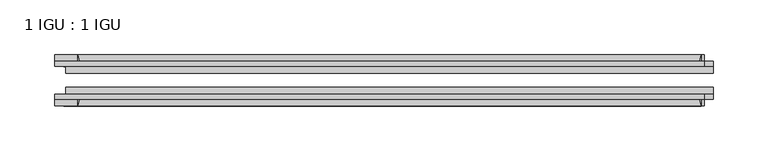
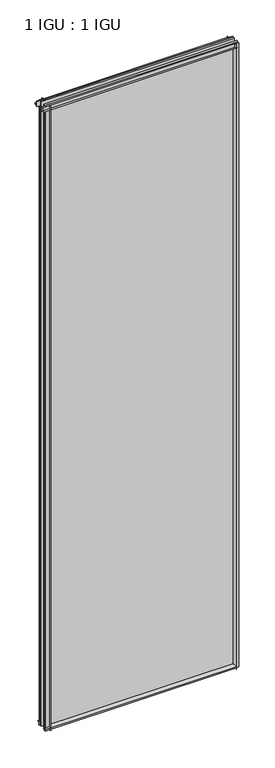
"""IFC4 building model written with IfcOpenShell, lengths in millimetres: plate geometry, 1 IGU : 1 IGU."""

import ifcopenshell
import ifcopenshell.guid

model = None  # the IFC model being written
_history = None  # IfcOwnerHistory: only IFC2X3 demands one
_inside = {}  # id of a spatial element -> (the spatial element, [elements in it])
_under = {}  # id of a project, library or spatial element -> (it, [spatial elements below it])
_declared = {}  # id of a project -> (the project, [libraries it declares])
_typed = {}  # id of a type object -> (the type object, [elements of that type])
_made_of = {}  # id of a material, layer set ... -> (it, [elements and type objects made of it])


def new_model(schema):
    """Start an empty IFC model of exactly this schema.

    Asked for "IFC4X3", IfcOpenShell would pick the latest addendum, in which some entities
    have other attributes; the version numbers below select the first issue.
    IFC2X3 requires an IfcOwnerHistory on every rooted entity: one is made here for all.
    """
    global model, _history
    if schema == "IFC4X3":
        model = ifcopenshell.file(schema_version=(4, 3, 0, 0))
    else:
        model = ifcopenshell.file(schema=schema)
    _inside.clear()
    _under.clear()
    _declared.clear()
    _typed.clear()
    _made_of.clear()
    _history = None
    if model.schema == "IFC2X3":
        org = make("IfcOrganization", Name="unknown")
        user = make(
            "IfcPersonAndOrganization",
            ThePerson=make("IfcPerson", FamilyName="unknown"),
            TheOrganization=org,
        )
        app = make(
            "IfcApplication",
            ApplicationDeveloper=org,
            Version="unknown",
            ApplicationFullName="unknown",
            ApplicationIdentifier="unknown",
        )
        _history = make(
            "IfcOwnerHistory",
            OwningUser=user,
            OwningApplication=app,
            ChangeAction="ADDED",
            CreationDate=0,
        )
    return model


def make(cls, **values):
    """One entity of the class cls with the attributes given. An attribute that is None is left unset."""
    return model.create_entity(
        cls, **{name: value for name, value in values.items() if value is not None}
    )


def rooted(cls, **values):
    """An entity with a GlobalId (a new one), such as an element, a storey or a relation."""
    return make(cls, GlobalId=ifcopenshell.guid.new(), OwnerHistory=_history, **values)


def si_unit(unit_type, name, prefix=None):
    """IfcSIUnit, for example si_unit("LENGTHUNIT", "METRE", prefix="MILLI")."""
    return make("IfcSIUnit", UnitType=unit_type, Prefix=prefix, Name=name)


def assignment(units):
    """IfcUnitAssignment: the units of a project."""
    return None if units is None else make("IfcUnitAssignment", Units=units)


def point(xyz):
    """IfcCartesianPoint."""
    return None if xyz is None else make("IfcCartesianPoint", Coordinates=xyz)


def direction(xyz):
    """IfcDirection."""
    return None if xyz is None else make("IfcDirection", DirectionRatios=xyz)


def frame(location, z_axis=None, x_axis=None):
    """IfcAxis2Placement3D, a coordinate frame: its origin and axes. An axis left out is left unset."""
    return make(
        "IfcAxis2Placement3D",
        Location=point(location),
        Axis=direction(z_axis),
        RefDirection=direction(x_axis),
    )


def frame_2d(location, x_axis=None):
    """IfcAxis2Placement2D, a coordinate frame in the plane: its origin and x axis."""
    return make(
        "IfcAxis2Placement2D", Location=point(location), RefDirection=direction(x_axis)
    )


def origin():
    """The frame at (0, 0, 0) with its axes left unset."""
    return frame((0.0, 0.0, 0.0))


def place(relative_to, where):
    """IfcLocalPlacement: puts the frame where relative to a parent placement (None: the world)."""
    return make(
        "IfcLocalPlacement", PlacementRelTo=relative_to, RelativePlacement=where
    )


def context(
    kind, dimensions, precision=None, world=None, true_north=None, identifier=None
):
    """IfcGeometricRepresentationContext, for example the 3D "Model" context."""
    return make(
        "IfcGeometricRepresentationContext",
        ContextIdentifier=identifier,
        ContextType=kind,
        CoordinateSpaceDimension=dimensions,
        Precision=precision,
        WorldCoordinateSystem=world,
        TrueNorth=true_north,
    )


def project(units=None, contexts=None):
    """IfcProject with its units and contexts."""
    return rooted(
        "IfcProject",
        Name="project",
        RepresentationContexts=contexts,
        UnitsInContext=assignment(units),
    )


def spatial(cls, under=None, at=None, **own):
    """A site, building, storey or space (cls), placed at a placement, below another one or the project."""
    s = rooted(cls, ObjectPlacement=at, **own)
    if under is not None:
        _under.setdefault(under.id(), (under, []))[1].append(s)
    return s


def polyline(points):
    """IfcPolyline through the points."""
    return make("IfcPolyline", Points=[point(p) for p in points])


def circle_curve(where, radius):
    """IfcCircle in the frame where."""
    return make("IfcCircle", Position=where, Radius=radius)


def trimmed(basis, trim1, trim2, sense, master):
    """IfcTrimmedCurve: the piece of a basis curve between two trims."""
    return make(
        "IfcTrimmedCurve",
        BasisCurve=basis,
        Trim1=trim1,
        Trim2=trim2,
        SenseAgreement=sense,
        MasterRepresentation=master,
    )


def segment(curve, same_sense, transition):
    """IfcCompositeCurveSegment."""
    return make(
        "IfcCompositeCurveSegment",
        Transition=transition,
        SameSense=same_sense,
        ParentCurve=curve,
    )


def composite_curve(segments, self_intersect=None):
    """IfcCompositeCurve: segments joined end to end."""
    return make("IfcCompositeCurve", Segments=segments, SelfIntersect=self_intersect)


def outline(outer, holes=None, kind="AREA"):
    """IfcArbitraryClosedProfileDef: a profile drawn as a closed curve; with holes, ...WithVoids."""
    if holes is None:
        return make("IfcArbitraryClosedProfileDef", ProfileType=kind, OuterCurve=outer)
    return make(
        "IfcArbitraryProfileDefWithVoids",
        ProfileType=kind,
        OuterCurve=outer,
        InnerCurves=holes,
    )


def extrude(swept, where, along, depth):
    """IfcExtrudedAreaSolid: the profile swept, set in the frame where, extruded along a direction by depth."""
    return make(
        "IfcExtrudedAreaSolid",
        SweptArea=swept,
        Position=where,
        ExtrudedDirection=direction(along),
        Depth=depth,
    )


def shape(context_of_items, identifier, shape_type, items):
    """IfcShapeRepresentation: the items that make up one representation, for example the "Body"."""
    return make(
        "IfcShapeRepresentation",
        ContextOfItems=context_of_items,
        RepresentationIdentifier=identifier,
        RepresentationType=shape_type,
        Items=items,
    )


def source(mapping_origin, context_of_items, identifier, shape_type, items):
    """IfcRepresentationMap: a shape defined once, which mapped items show again and again."""
    return make(
        "IfcRepresentationMap",
        MappingOrigin=mapping_origin,
        MappedRepresentation=shape(context_of_items, identifier, shape_type, items),
    )


def transform(
    local_origin,
    x_axis=None,
    y_axis=None,
    z_axis=None,
    scale=None,
    scale2=None,
    scale3=None,
    uniform=True,
):
    """IfcCartesianTransformationOperator3D, or its non-uniform kind. x_axis, y_axis, z_axis: its Axis1, 2, 3."""
    if uniform:
        return make(
            "IfcCartesianTransformationOperator3D",
            Axis1=direction(x_axis),
            Axis2=direction(y_axis),
            LocalOrigin=point(local_origin),
            Scale=scale,
            Axis3=direction(z_axis),
        )
    return make(
        "IfcCartesianTransformationOperator3DnonUniform",
        Axis1=direction(x_axis),
        Axis2=direction(y_axis),
        LocalOrigin=point(local_origin),
        Scale=scale,
        Axis3=direction(z_axis),
        Scale2=scale2,
        Scale3=scale3,
    )


def mapped(mapping_source, mapping_target):
    """IfcMappedItem: shows the shape of a source again, moved by a transform."""
    return make(
        "IfcMappedItem", MappingSource=mapping_source, MappingTarget=mapping_target
    )


def made_of(thing, what):
    """Note that an element or type object is made of a material, layer set ...; save() writes the relation."""
    if what is not None:
        _made_of.setdefault(what.id(), (what, []))[1].append(thing)
    return thing


def element(
    cls,
    number,
    at=None,
    inside=None,
    cuts=None,
    type_object=None,
    material=None,
    context=None,
    identifier="Body",
    shape_type=None,
    held_by="IfcProductDefinitionShape",
    body=None,
    shapes=None,
    **own,
):
    """One element of the class cls, such as IfcWall. Its Tag is "e" and its number.

    at: its placement. inside: the storey or other place that contains it. cuts: it is an
    opening in that element (IfcRelVoidsElement). A single representation is given by context,
    identifier, shape_type and body (its items); several are given by shapes. held_by: the class
    of the entity that holds the representations. save() writes the other relations.
    """
    e = rooted(cls, Tag="e%d" % number, ObjectPlacement=at, **own)
    if body is not None:
        shapes = [shape(context, identifier, shape_type, body)]
    if shapes is not None:
        e.Representation = make(held_by, Representations=shapes)
    if inside is not None:
        _inside.setdefault(inside.id(), (inside, []))[1].append(e)
    if cuts is not None:
        rooted(
            "IfcRelVoidsElement", RelatingBuildingElement=cuts, RelatedOpeningElement=e
        )
    if type_object is not None:
        _typed.setdefault(type_object.id(), (type_object, []))[1].append(e)
    return made_of(e, material)


def aggregate(whole, parts):
    """IfcRelAggregates: a whole, such as a stair, and the parts it consists of."""
    return rooted("IfcRelAggregates", RelatingObject=whole, RelatedObjects=parts)


def save(model, path):
    """Write the relations noted so far, then the file.

    IfcRelAggregates (storeys below a building ...), IfcRelContainedInSpatialStructure (elements
    in a storey), IfcRelDefinesByType, IfcRelAssociatesMaterial and IfcRelDeclares: one each for
    every whole, place, type object, material and project.
    """
    for whole, parts in _under.values():
        aggregate(whole, parts)
    for where, things in _inside.values():
        rooted(
            "IfcRelContainedInSpatialStructure",
            RelatedElements=things,
            RelatingStructure=where,
        )
    for kind, things in _typed.values():
        rooted("IfcRelDefinesByType", RelatedObjects=things, RelatingType=kind)
    for what, things in _made_of.values():
        rooted("IfcRelAssociatesMaterial", RelatedObjects=things, RelatingMaterial=what)
    for by, libraries in _declared.values():
        rooted("IfcRelDeclares", RelatingContext=by, RelatedDefinitions=libraries)
    model.write(path)


def plate_1_igu_1_igu_cf0832b4(model_context):
    return source(origin(), model_context, "Body", "SweptSolid", [
        extrude(outline(composite_curve([segment(polyline([(-74.6252, -8.73125), (-74.6252, -0.0097454), (-80.6504332, -0.0097454)]), True, "CONTINUOUS"), segment(trimmed(circle_curve(frame_2d((-86.2258203, 32.2797688)), 32.7673262), [point((-80.6504332, -0.0097454))], [point((-69.85, 3.8979053))], True, "CARTESIAN"), True, "CONTINUOUS"), segment(polyline([(-69.85, 3.8979053), (-69.85, -8.73125), (-74.6252, -8.73125)]), True, "CONTINUOUS")], self_intersect=False)), frame((-292.1134938, 0.0, 0.0), z_axis=(1.0, 0.0, 0.0), x_axis=(0.0, 1.0, 0.0)), (0.0, 0.0, 1.0), 584.2269875),
        extrude(outline(composite_curve([segment(polyline([(-39.6748, -8.73125), (-44.45, -8.73125), (-44.45, 3.8979053)]), True, "CONTINUOUS"), segment(trimmed(circle_curve(frame_2d((-28.0741797, 32.2797688)), 32.7673262), [point((-44.45, 3.8979053))], [point((-33.6495668, -0.0097454))], True, "CARTESIAN"), True, "CONTINUOUS"), segment(polyline([(-33.6495668, -0.0097454), (-39.6748, -0.0097454), (-39.6748, -8.73125)]), True, "CONTINUOUS")], self_intersect=False)), frame((-292.1134938, 0.0, 0.0), z_axis=(1.0, 0.0, 0.0), x_axis=(0.0, 1.0, 0.0)), (0.0, 0.0, 1.0), 584.2269875),
        extrude(outline(composite_curve([segment(polyline([(-80.5942, 2012.1562438), (-74.6252, 2012.1562438), (-74.6252, 2023.2687438), (-69.85, 2023.2687438), (-69.85, 2008.2583533)]), True, "CONTINUOUS"), segment(trimmed(circle_curve(frame_2d((-86.2258203, 1979.8764898)), 32.7673262), [point((-69.85, 2008.2583533))], [point((-80.5942, 2012.1562438))], True, "CARTESIAN"), True, "CONTINUOUS")], self_intersect=False)), frame((-300.6262324, 0.0, 0.0), z_axis=(1.0, 0.0, 0.0), x_axis=(0.0, 1.0, 0.0)), (0.0, 0.0, 1.0), 595.2856876),
        extrude(outline(composite_curve([segment(polyline([(-39.6748, 2023.2687438), (-39.6748, 2012.1562438), (-33.7058, 2012.1562438)]), True, "CONTINUOUS"), segment(trimmed(circle_curve(frame_2d((-28.0741797, 1979.8764898)), 32.7673262), [point((-33.7058, 2012.1562438))], [point((-44.45, 2008.2583533))], True, "CARTESIAN"), True, "CONTINUOUS"), segment(polyline([(-44.45, 2008.2583533), (-44.45, 2023.2687438), (-39.6748, 2023.2687438)]), True, "CONTINUOUS")], self_intersect=False)), frame((-300.6262324, 0.0, 0.0), z_axis=(1.0, 0.0, 0.0), x_axis=(0.0, 1.0, 0.0)), (0.0, 0.0, 1.0), 595.2856876),
        extrude(outline(composite_curve([segment(polyline([(303.2259938, -39.6748), (303.2259938, -44.45), (288.2156032, -44.45)]), True, "CONTINUOUS"), segment(trimmed(circle_curve(frame_2d((259.8337398, -28.0741797)), 32.7673262), [point((288.2156032, -44.45))], [point((292.1134938, -33.7058))], True, "CARTESIAN"), True, "CONTINUOUS"), segment(polyline([(292.1134938, -33.7058), (292.1134938, -39.6748), (303.2259938, -39.6748)]), True, "CONTINUOUS")], self_intersect=False)), frame((0.0, 0.0, -8.73125), z_axis=(0.0, 0.0, 1.0), x_axis=(1.0, 0.0, 0.0)), (0.0, 0.0, 1.0), 2031.9999938),
        extrude(outline(composite_curve([segment(polyline([(303.2259938, -69.85), (303.2259938, -74.6252), (292.1134938, -74.6252), (292.1134938, -80.5942)]), True, "CONTINUOUS"), segment(trimmed(circle_curve(frame_2d((259.8337398, -86.2258203)), 32.7673262), [point((292.1134938, -80.5942))], [point((288.2156032, -69.85))], True, "CARTESIAN"), True, "CONTINUOUS"), segment(polyline([(288.2156032, -69.85), (303.2259938, -69.85)]), True, "CONTINUOUS")], self_intersect=False)), frame((0.0, 0.0, -8.73125), z_axis=(0.0, 0.0, 1.0), x_axis=(1.0, 0.0, 0.0)), (0.0, 0.0, 1.0), 2031.9999938),
        extrude(outline(composite_curve([segment(polyline([(-290.5259937, -39.6748), (-279.4134937, -39.6748), (-279.4134937, -33.7058)]), True, "CONTINUOUS"), segment(trimmed(circle_curve(frame_2d((-247.1337398, -28.0741797)), 32.7673262), [point((-279.4134937, -33.7058))], [point((-275.5156032, -44.45))], True, "CARTESIAN"), True, "CONTINUOUS"), segment(polyline([(-275.5156032, -44.45), (-290.5259937, -44.45), (-290.5259937, -39.6748)]), True, "CONTINUOUS")], self_intersect=False)), frame((0.0, 0.0, -8.73125), z_axis=(0.0, 0.0, 1.0), x_axis=(1.0, 0.0, 0.0)), (0.0, 0.0, 1.0), 2031.9999938),
        extrude(outline(composite_curve([segment(polyline([(-290.5259937, -74.6252), (-290.5259937, -69.85), (-275.5156032, -69.85)]), True, "CONTINUOUS"), segment(trimmed(circle_curve(frame_2d((-247.1337398, -86.2258203)), 32.7673262), [point((-275.5156032, -69.85))], [point((-279.4134937, -80.5942))], True, "CARTESIAN"), True, "CONTINUOUS"), segment(polyline([(-279.4134937, -80.5942), (-279.4134937, -74.6252), (-290.5259937, -74.6252)]), True, "CONTINUOUS")], self_intersect=False)), frame((0.0, 0.0, -8.73125), z_axis=(0.0, 0.0, 1.0), x_axis=(1.0, 0.0, 0.0)), (0.0, 0.0, 1.0), 2031.9999938),
        extrude(outline(polyline([(-290.5259937, -69.85), (-290.5259937, -63.5508), (303.2259937, -63.5508), (303.2259937, -69.85), (-290.5259937, -69.85)])), frame((0.0, 0.0, -8.73125), z_axis=(0.0, 0.0, 1.0), x_axis=(1.0, 0.0, 0.0)), (0.0, 0.0, 1.0), 2031.9999938),
        extrude(outline(polyline([(303.2259937, -50.7492), (-290.5259937, -50.7492), (-290.5259937, -44.45), (303.2259937, -44.45), (303.2259937, -50.7492)])), frame((0.0, 0.0, -8.73125), z_axis=(0.0, 0.0, 1.0), x_axis=(1.0, 0.0, 0.0)), (0.0, 0.0, 1.0), 2031.9999938),
    ])


if __name__ == "__main__":
    model = new_model("IFC4")
    model_context = context("Model", 3, world=origin())
    ifc_project = project(units=[si_unit("LENGTHUNIT", "METRE", prefix="MILLI")], contexts=[model_context])
    site = spatial("IfcSite", under=ifc_project)
    building = spatial("IfcBuilding", under=site)
    placement = place(None, origin())
    plate_1_igu_1_igu_shape = plate_1_igu_1_igu_cf0832b4(model_context)
    element("IfcPlate", 1, ObjectType="1 IGU : 1 IGU", at=placement, inside=building, context=model_context, shape_type="MappedRepresentation", body=[
        mapped(plate_1_igu_1_igu_shape, transform((0.0, 0.0, 0.0), x_axis=(1.0, 0.0, 0.0), y_axis=(0.0, 1.0, 0.0), z_axis=(0.0, 0.0, 1.0))),
    ])
    save(model, "model.ifc")
